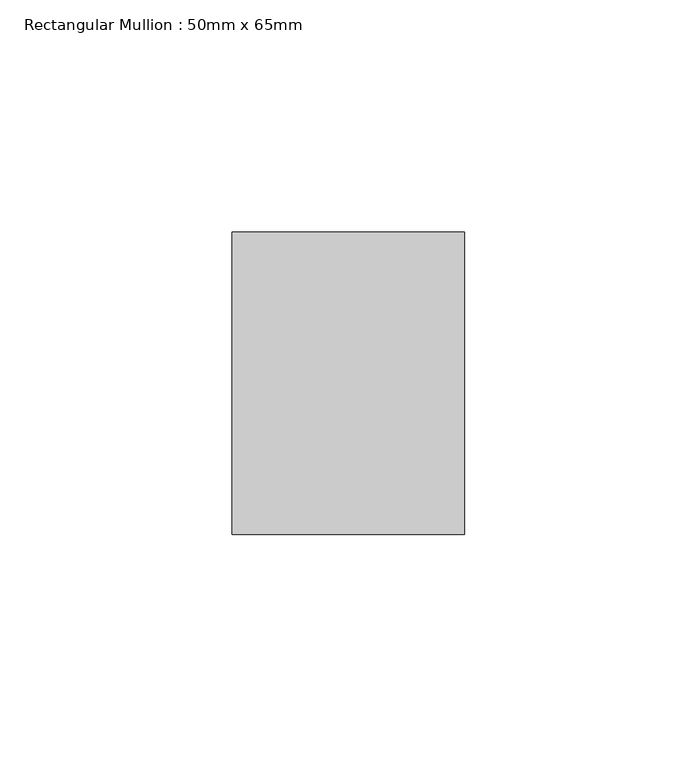
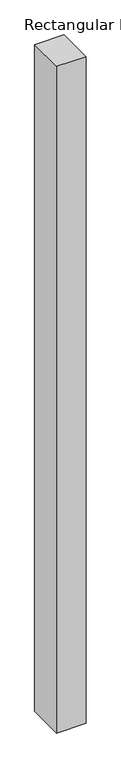
"""IFC4 building model written with IfcOpenShell, lengths in millimetres: member geometry, Rectangular Mullion : 50mm x 65mm."""

from ifc_helpers import new_model, si_unit, frame, origin, place, context, project, spatial, polyline, outline, extrude, source, transform, mapped, element, save


def rectangular_mullion_50mm_x_65mm_ad9873ae(model_context):
    return source(origin(), model_context, "Body", "SweptSolid", [
        extrude(outline(polyline([(25.0, 32.5), (25.0, -32.5), (-25.0, -32.5), (-25.0, 32.5), (25.0, 32.5)])), frame((0.0, 0.0, -1205.1794507), z_axis=(0.0, 0.0, 1.0), x_axis=(1.0, 0.0, 0.0)), (0.0, 0.0, 1.0), 1205.1794507),
    ])


if __name__ == "__main__":
    model = new_model("IFC4")
    model_context = context("Model", 3, world=origin())
    ifc_project = project(units=[si_unit("LENGTHUNIT", "METRE", prefix="MILLI")], contexts=[model_context])
    site = spatial("IfcSite", under=ifc_project)
    building = spatial("IfcBuilding", under=site)
    placement = place(None, origin())
    rectangular_mullion_50mm_x_65mm_shape = rectangular_mullion_50mm_x_65mm_ad9873ae(model_context)
    element("IfcMember", 1, ObjectType="Rectangular Mullion : 50mm x 65mm", at=placement, inside=building, context=model_context, shape_type="MappedRepresentation", body=[
        mapped(rectangular_mullion_50mm_x_65mm_shape, transform((0.0, 0.0, 0.0), x_axis=(1.0, 0.0, 0.0), y_axis=(0.0, 1.0, 0.0), z_axis=(0.0, 0.0, 1.0))),
    ])
    save(model, "model.ifc")
